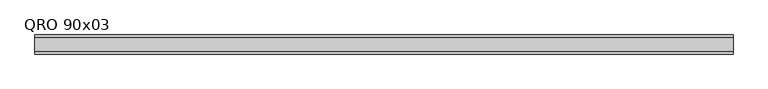
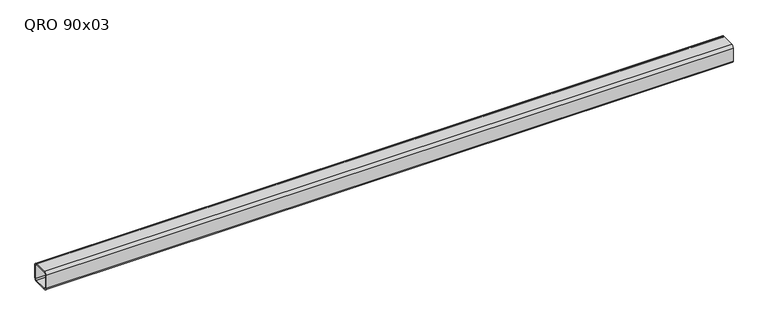
"""IFC4 building model written with IfcOpenShell, lengths in millimetres: beam geometry, QRO 90x03."""

import ifcopenshell
import ifcopenshell.guid

model = None  # the IFC model being written
_history = None  # IfcOwnerHistory: only IFC2X3 demands one
_inside = {}  # id of a spatial element -> (the spatial element, [elements in it])
_under = {}  # id of a project, library or spatial element -> (it, [spatial elements below it])
_declared = {}  # id of a project -> (the project, [libraries it declares])
_typed = {}  # id of a type object -> (the type object, [elements of that type])
_made_of = {}  # id of a material, layer set ... -> (it, [elements and type objects made of it])


def new_model(schema):
    """Start an empty IFC model of exactly this schema.

    Asked for "IFC4X3", IfcOpenShell would pick the latest addendum, in which some entities
    have other attributes; the version numbers below select the first issue.
    IFC2X3 requires an IfcOwnerHistory on every rooted entity: one is made here for all.
    """
    global model, _history
    if schema == "IFC4X3":
        model = ifcopenshell.file(schema_version=(4, 3, 0, 0))
    else:
        model = ifcopenshell.file(schema=schema)
    _inside.clear()
    _under.clear()
    _declared.clear()
    _typed.clear()
    _made_of.clear()
    _history = None
    if model.schema == "IFC2X3":
        org = make("IfcOrganization", Name="unknown")
        user = make(
            "IfcPersonAndOrganization",
            ThePerson=make("IfcPerson", FamilyName="unknown"),
            TheOrganization=org,
        )
        app = make(
            "IfcApplication",
            ApplicationDeveloper=org,
            Version="unknown",
            ApplicationFullName="unknown",
            ApplicationIdentifier="unknown",
        )
        _history = make(
            "IfcOwnerHistory",
            OwningUser=user,
            OwningApplication=app,
            ChangeAction="ADDED",
            CreationDate=0,
        )
    return model


def make(cls, **values):
    """One entity of the class cls with the attributes given. An attribute that is None is left unset."""
    return model.create_entity(
        cls, **{name: value for name, value in values.items() if value is not None}
    )


def rooted(cls, **values):
    """An entity with a GlobalId (a new one), such as an element, a storey or a relation."""
    return make(cls, GlobalId=ifcopenshell.guid.new(), OwnerHistory=_history, **values)


def si_unit(unit_type, name, prefix=None):
    """IfcSIUnit, for example si_unit("LENGTHUNIT", "METRE", prefix="MILLI")."""
    return make("IfcSIUnit", UnitType=unit_type, Prefix=prefix, Name=name)


def assignment(units):
    """IfcUnitAssignment: the units of a project."""
    return None if units is None else make("IfcUnitAssignment", Units=units)


def point(xyz):
    """IfcCartesianPoint."""
    return None if xyz is None else make("IfcCartesianPoint", Coordinates=xyz)


def direction(xyz):
    """IfcDirection."""
    return None if xyz is None else make("IfcDirection", DirectionRatios=xyz)


def frame(location, z_axis=None, x_axis=None):
    """IfcAxis2Placement3D, a coordinate frame: its origin and axes. An axis left out is left unset."""
    return make(
        "IfcAxis2Placement3D",
        Location=point(location),
        Axis=direction(z_axis),
        RefDirection=direction(x_axis),
    )


def frame_2d(location, x_axis=None):
    """IfcAxis2Placement2D, a coordinate frame in the plane: its origin and x axis."""
    return make(
        "IfcAxis2Placement2D", Location=point(location), RefDirection=direction(x_axis)
    )


def origin():
    """The frame at (0, 0, 0) with its axes left unset."""
    return frame((0.0, 0.0, 0.0))


def place(relative_to, where):
    """IfcLocalPlacement: puts the frame where relative to a parent placement (None: the world)."""
    return make(
        "IfcLocalPlacement", PlacementRelTo=relative_to, RelativePlacement=where
    )


def context(
    kind, dimensions, precision=None, world=None, true_north=None, identifier=None
):
    """IfcGeometricRepresentationContext, for example the 3D "Model" context."""
    return make(
        "IfcGeometricRepresentationContext",
        ContextIdentifier=identifier,
        ContextType=kind,
        CoordinateSpaceDimension=dimensions,
        Precision=precision,
        WorldCoordinateSystem=world,
        TrueNorth=true_north,
    )


def project(units=None, contexts=None):
    """IfcProject with its units and contexts."""
    return rooted(
        "IfcProject",
        Name="project",
        RepresentationContexts=contexts,
        UnitsInContext=assignment(units),
    )


def spatial(cls, under=None, at=None, **own):
    """A site, building, storey or space (cls), placed at a placement, below another one or the project."""
    s = rooted(cls, ObjectPlacement=at, **own)
    if under is not None:
        _under.setdefault(under.id(), (under, []))[1].append(s)
    return s


def polyline(points):
    """IfcPolyline through the points."""
    return make("IfcPolyline", Points=[point(p) for p in points])


def circle_curve(where, radius):
    """IfcCircle in the frame where."""
    return make("IfcCircle", Position=where, Radius=radius)


def trimmed(basis, trim1, trim2, sense, master):
    """IfcTrimmedCurve: the piece of a basis curve between two trims."""
    return make(
        "IfcTrimmedCurve",
        BasisCurve=basis,
        Trim1=trim1,
        Trim2=trim2,
        SenseAgreement=sense,
        MasterRepresentation=master,
    )


def segment(curve, same_sense, transition):
    """IfcCompositeCurveSegment."""
    return make(
        "IfcCompositeCurveSegment",
        Transition=transition,
        SameSense=same_sense,
        ParentCurve=curve,
    )


def composite_curve(segments, self_intersect=None):
    """IfcCompositeCurve: segments joined end to end."""
    return make("IfcCompositeCurve", Segments=segments, SelfIntersect=self_intersect)


def outline(outer, holes=None, kind="AREA"):
    """IfcArbitraryClosedProfileDef: a profile drawn as a closed curve; with holes, ...WithVoids."""
    if holes is None:
        return make("IfcArbitraryClosedProfileDef", ProfileType=kind, OuterCurve=outer)
    return make(
        "IfcArbitraryProfileDefWithVoids",
        ProfileType=kind,
        OuterCurve=outer,
        InnerCurves=holes,
    )


def extrude(swept, where, along, depth):
    """IfcExtrudedAreaSolid: the profile swept, set in the frame where, extruded along a direction by depth."""
    return make(
        "IfcExtrudedAreaSolid",
        SweptArea=swept,
        Position=where,
        ExtrudedDirection=direction(along),
        Depth=depth,
    )


def shape(context_of_items, identifier, shape_type, items):
    """IfcShapeRepresentation: the items that make up one representation, for example the "Body"."""
    return make(
        "IfcShapeRepresentation",
        ContextOfItems=context_of_items,
        RepresentationIdentifier=identifier,
        RepresentationType=shape_type,
        Items=items,
    )


def source(mapping_origin, context_of_items, identifier, shape_type, items):
    """IfcRepresentationMap: a shape defined once, which mapped items show again and again."""
    return make(
        "IfcRepresentationMap",
        MappingOrigin=mapping_origin,
        MappedRepresentation=shape(context_of_items, identifier, shape_type, items),
    )


def transform(
    local_origin,
    x_axis=None,
    y_axis=None,
    z_axis=None,
    scale=None,
    scale2=None,
    scale3=None,
    uniform=True,
):
    """IfcCartesianTransformationOperator3D, or its non-uniform kind. x_axis, y_axis, z_axis: its Axis1, 2, 3."""
    if uniform:
        return make(
            "IfcCartesianTransformationOperator3D",
            Axis1=direction(x_axis),
            Axis2=direction(y_axis),
            LocalOrigin=point(local_origin),
            Scale=scale,
            Axis3=direction(z_axis),
        )
    return make(
        "IfcCartesianTransformationOperator3DnonUniform",
        Axis1=direction(x_axis),
        Axis2=direction(y_axis),
        LocalOrigin=point(local_origin),
        Scale=scale,
        Axis3=direction(z_axis),
        Scale2=scale2,
        Scale3=scale3,
    )


def mapped(mapping_source, mapping_target):
    """IfcMappedItem: shows the shape of a source again, moved by a transform."""
    return make(
        "IfcMappedItem", MappingSource=mapping_source, MappingTarget=mapping_target
    )


def made_of(thing, what):
    """Note that an element or type object is made of a material, layer set ...; save() writes the relation."""
    if what is not None:
        _made_of.setdefault(what.id(), (what, []))[1].append(thing)
    return thing


def element(
    cls,
    number,
    at=None,
    inside=None,
    cuts=None,
    type_object=None,
    material=None,
    context=None,
    identifier="Body",
    shape_type=None,
    held_by="IfcProductDefinitionShape",
    body=None,
    shapes=None,
    **own,
):
    """One element of the class cls, such as IfcWall. Its Tag is "e" and its number.

    at: its placement. inside: the storey or other place that contains it. cuts: it is an
    opening in that element (IfcRelVoidsElement). A single representation is given by context,
    identifier, shape_type and body (its items); several are given by shapes. held_by: the class
    of the entity that holds the representations. save() writes the other relations.
    """
    e = rooted(cls, Tag="e%d" % number, ObjectPlacement=at, **own)
    if body is not None:
        shapes = [shape(context, identifier, shape_type, body)]
    if shapes is not None:
        e.Representation = make(held_by, Representations=shapes)
    if inside is not None:
        _inside.setdefault(inside.id(), (inside, []))[1].append(e)
    if cuts is not None:
        rooted(
            "IfcRelVoidsElement", RelatingBuildingElement=cuts, RelatedOpeningElement=e
        )
    if type_object is not None:
        _typed.setdefault(type_object.id(), (type_object, []))[1].append(e)
    return made_of(e, material)


def aggregate(whole, parts):
    """IfcRelAggregates: a whole, such as a stair, and the parts it consists of."""
    return rooted("IfcRelAggregates", RelatingObject=whole, RelatedObjects=parts)


def save(model, path):
    """Write the relations noted so far, then the file.

    IfcRelAggregates (storeys below a building ...), IfcRelContainedInSpatialStructure (elements
    in a storey), IfcRelDefinesByType, IfcRelAssociatesMaterial and IfcRelDeclares: one each for
    every whole, place, type object, material and project.
    """
    for whole, parts in _under.values():
        aggregate(whole, parts)
    for where, things in _inside.values():
        rooted(
            "IfcRelContainedInSpatialStructure",
            RelatedElements=things,
            RelatingStructure=where,
        )
    for kind, things in _typed.values():
        rooted("IfcRelDefinesByType", RelatedObjects=things, RelatingType=kind)
    for what, things in _made_of.values():
        rooted("IfcRelAssociatesMaterial", RelatedObjects=things, RelatingMaterial=what)
    for by, libraries in _declared.values():
        rooted("IfcRelDeclares", RelatingContext=by, RelatedDefinitions=libraries)
    model.write(path)


def qro_90x03_6d948bdf(model_context):
    return source(origin(), model_context, "Body", "SweptSolid", [
        extrude(outline(composite_curve([segment(polyline([(45.0, 33.0), (45.0, -33.0)]), True, "CONTINUOUS"), segment(trimmed(circle_curve(frame_2d((33.0, -33.0)), 12.0), [point((45.0, -33.0))], [point((33.0, -45.0))], False, "CARTESIAN"), True, "CONTINUOUS"), segment(polyline([(33.0, -45.0), (-33.0, -45.0)]), True, "CONTINUOUS"), segment(trimmed(circle_curve(frame_2d((-33.0, -33.0)), 12.0), [point((-33.0, -45.0))], [point((-45.0, -33.0))], False, "CARTESIAN"), True, "CONTINUOUS"), segment(polyline([(-45.0, -33.0), (-45.0, 33.0)]), True, "CONTINUOUS"), segment(trimmed(circle_curve(frame_2d((-33.0, 33.0)), 12.0), [point((-45.0, 33.0))], [point((-33.0, 45.0))], False, "CARTESIAN"), True, "CONTINUOUS"), segment(polyline([(-33.0, 45.0), (33.0, 45.0)]), True, "CONTINUOUS"), segment(trimmed(circle_curve(frame_2d((33.0, 33.0)), 12.0), [point((33.0, 45.0))], [point((45.0, 33.0))], False, "CARTESIAN"), True, "CONTINUOUS")], self_intersect=False), holes=[composite_curve([segment(trimmed(circle_curve(frame_2d((-33.0, 33.0)), 6.0), [point((-33.0, 39.0))], [point((-39.0, 33.0))], True, "CARTESIAN"), True, "CONTINUOUS"), segment(polyline([(-39.0, 33.0), (-39.0, -33.0)]), True, "CONTINUOUS"), segment(trimmed(circle_curve(frame_2d((-33.0, -33.0)), 6.0), [point((-39.0, -33.0))], [point((-33.0, -39.0))], True, "CARTESIAN"), True, "CONTINUOUS"), segment(polyline([(-33.0, -39.0), (33.0, -39.0)]), True, "CONTINUOUS"), segment(trimmed(circle_curve(frame_2d((33.0, -33.0)), 6.0), [point((33.0, -39.0))], [point((39.0, -33.0))], True, "CARTESIAN"), True, "CONTINUOUS"), segment(polyline([(39.0, -33.0), (39.0, 33.0)]), True, "CONTINUOUS"), segment(trimmed(circle_curve(frame_2d((33.0, 33.0)), 6.0), [point((39.0, 33.0))], [point((33.0, 39.0))], True, "CARTESIAN"), True, "CONTINUOUS"), segment(polyline([(33.0, 39.0), (-33.0, 39.0)]), True, "CONTINUOUS")], self_intersect=False)]), frame((-1669.4992809, 0.0, 0.0), z_axis=(1.0, 0.0, 0.0), x_axis=(0.0, 1.0, 0.0)), (0.0, 0.0, 1.0), 3285.6856437),
    ])


if __name__ == "__main__":
    model = new_model("IFC4")
    model_context = context("Model", 3, world=origin())
    ifc_project = project(units=[si_unit("LENGTHUNIT", "METRE", prefix="MILLI")], contexts=[model_context])
    site = spatial("IfcSite", under=ifc_project)
    building = spatial("IfcBuilding", under=site)
    placement = place(None, origin())
    qro_90x03_shape = qro_90x03_6d948bdf(model_context)
    element("IfcBeam", 1, ObjectType="QRO 90x03", at=placement, inside=building, context=model_context, shape_type="MappedRepresentation", body=[
        mapped(qro_90x03_shape, transform((0.0, 0.0, 0.0), x_axis=(1.0, 0.0, 0.0), y_axis=(0.0, 1.0, 0.0), z_axis=(0.0, 0.0, 1.0))),
    ])
    save(model, "model.ifc")
